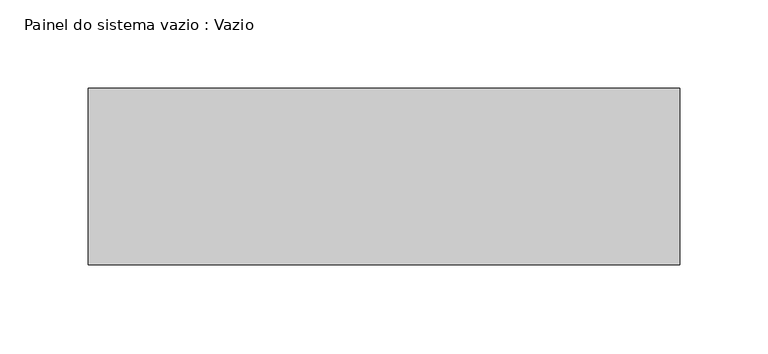
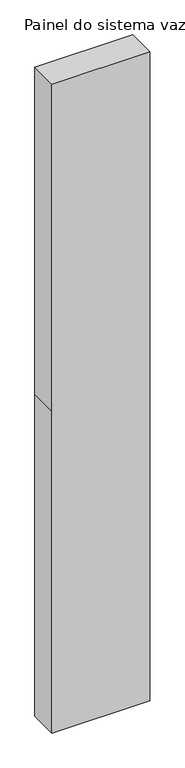
"""IFC4 building model written with IfcOpenShell, lengths in millimetres: plate geometry, Painel do sistema vazio : Vazio."""

from ifc_helpers import new_model, si_unit, frame, origin, place, context, project, spatial, polyline, outline, extrude, source, transform, mapped, element, save


def painel_do_sistema_vazio_vazio_a0771629(model_context):
    return source(origin(), model_context, "Body", "SweptSolid", [
        extrude(outline(polyline([(0.0, -167.5), (0.0, 167.5), (1165.0, 167.5), (2347.5, 167.5), (2347.5, -167.5), (1165.0, -167.5), (0.0, -167.5)])), frame((0.0, -50.0, 0.0), z_axis=(0.0, 1.0, 0.0), x_axis=(0.0, 0.0, 1.0)), (0.0, 0.0, 1.0), 100.0),
    ])


if __name__ == "__main__":
    model = new_model("IFC4")
    model_context = context("Model", 3, world=origin())
    ifc_project = project(units=[si_unit("LENGTHUNIT", "METRE", prefix="MILLI")], contexts=[model_context])
    site = spatial("IfcSite", under=ifc_project)
    building = spatial("IfcBuilding", under=site)
    placement = place(None, origin())
    painel_do_sistema_vazio_vazio_shape = painel_do_sistema_vazio_vazio_a0771629(model_context)
    element("IfcPlate", 1, ObjectType="Painel do sistema vazio : Vazio", at=placement, inside=building, context=model_context, shape_type="MappedRepresentation", body=[
        mapped(painel_do_sistema_vazio_vazio_shape, transform((0.0, 0.0, 0.0), x_axis=(1.0, 0.0, 0.0), y_axis=(0.0, 1.0, 0.0), z_axis=(0.0, 0.0, 1.0))),
    ])
    save(model, "model.ifc")
